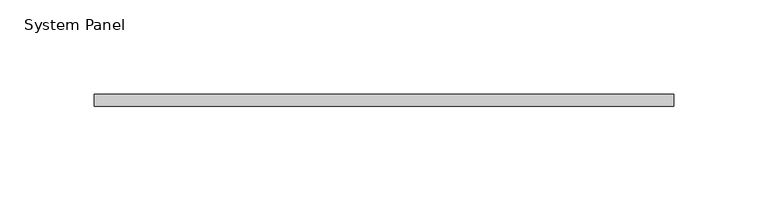
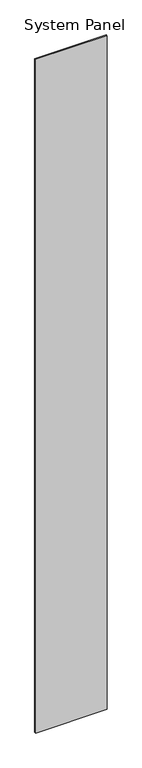
"""IFC4 building model written with IfcOpenShell, lengths in millimetres: plate geometry, System Panel."""

from ifc_helpers import new_model, si_unit, origin, origin_with_axes, place, context, project, spatial, polyline, outline, extrude, source, transform, mapped, element, save


def system_panel_c5a47a6b(model_context):
    return source(origin(), model_context, "Body", "SweptSolid", [
        extrude(outline(polyline([(153.3501851, 0.0), (-153.3501851, 0.0), (-153.3501851, 6.35), (153.3501851, 6.35), (153.3501851, 0.0)])), origin_with_axes(), (0.0, 0.0, 1.0), 3048.0),
    ])


if __name__ == "__main__":
    model = new_model("IFC4")
    model_context = context("Model", 3, world=origin())
    ifc_project = project(units=[si_unit("LENGTHUNIT", "METRE", prefix="MILLI")], contexts=[model_context])
    site = spatial("IfcSite", under=ifc_project)
    building = spatial("IfcBuilding", under=site)
    placement = place(None, origin())
    system_panel_shape = system_panel_c5a47a6b(model_context)
    element("IfcPlate", 1, ObjectType="System Panel", at=placement, inside=building, context=model_context, shape_type="MappedRepresentation", body=[
        mapped(system_panel_shape, transform((0.0, 0.0, 0.0), x_axis=(1.0, 0.0, 0.0), y_axis=(0.0, 1.0, 0.0), z_axis=(0.0, 0.0, 1.0))),
    ])
    save(model, "model.ifc")
